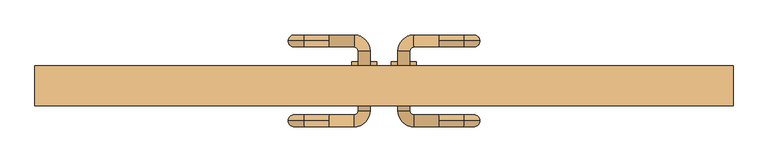
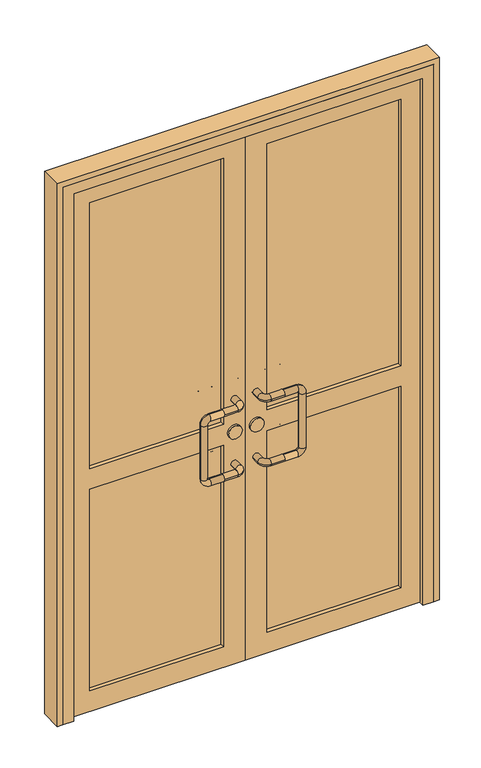
"""IFC4 building model written with IfcOpenShell, lengths in millimetres: door geometry."""

from ifc_helpers import new_model, si_unit, point, frame, frame_2d, origin, place, context, project, spatial, polyline, circle_curve, ellipse_curve, trimmed, segment, composite_curve, outline, extrude, faceted_brep, source, transform, mapped, element, save
from ifc_brep_helpers import cylinder_surface, revolved_surface, advanced_brep


def door_73c3f872(model_context):
    return source(origin(), model_context, "Body", "SolidModel", [
        advanced_brep(
        [(-110.0, 112.0, 1025.0), (-110.0, 100.0, 1037.0), (-110.0, 88.0, 1025.0), (-60.0, 88.0, 1025.0), (-60.0, 112.0, 1025.0), (-110.0, 100.0, 1013.0), (-52.0, 80.0, 1025.0), (-28.0, 80.0, 1025.0), (-52.0, -40.0, 1025.0), (-28.0, -40.0, 1025.0), (-60.0, -48.0, 1025.0), (-60.0, -72.0, 1025.0), (-110.0, -48.0, 1025.0), (-110.0, -60.0, 1037.0), (-110.0, -72.0, 1025.0), (-110.0, -60.0, 1013.0), (-160.0, 100.0, 1037.0), (-160.0, 100.0, 1013.0), (-192.0, 100.0, 1005.0), (-168.0, 100.0, 1005.0), (-192.0, 100.0, 795.0), (-168.0, 100.0, 795.0), (-160.0, 100.0, 763.0), (-160.0, 100.0, 787.0), (-110.0, 100.0, 763.0), (-110.0, 88.0, 775.0), (-110.0, 100.0, 787.0), (-110.0, 112.0, 775.0), (-60.0, 88.0, 775.0), (-60.0, 112.0, 775.0), (-52.0, 80.0, 775.0), (-28.0, 80.0, 775.0), (-52.0, -40.0, 775.0), (-28.0, -40.0, 775.0), (-60.0, -48.0, 775.0), (-60.0, -72.0, 775.0), (-110.0, -48.0, 775.0), (-110.0, -60.0, 787.0), (-110.0, -72.0, 775.0), (-110.0, -60.0, 763.0), (-160.0, -60.0, 1037.0), (-160.0, -60.0, 1013.0), (-192.0, -60.0, 1005.0), (-168.0, -60.0, 1005.0), (-192.0, -60.0, 795.0), (-168.0, -60.0, 795.0), (-160.0, -60.0, 763.0), (-160.0, -60.0, 787.0)],
        [
            (0, 1, circle_curve(frame((-110.0, 100.0, 1025.0), z_axis=(1.0, 0.0, 0.0), x_axis=(0.0, -1.0, 0.0)), 12.0)),
            (1, 2, circle_curve(frame((-110.0, 100.0, 1025.0), z_axis=(1.0, 0.0, 0.0), x_axis=(0.0, -1.0, 0.0)), 12.0)),
            (2, 3),
            (3, 4, circle_curve(frame((-60.0, 100.0, 1025.0), z_axis=(-1.0, 0.0, 0.0), x_axis=(0.0, -1.0, 0.0)), 12.0)),
            (4, 0),
            (4, 3, circle_curve(frame((-60.0, 100.0, 1025.0), z_axis=(-1.0, 0.0, 0.0), x_axis=(0.0, -1.0, 0.0)), 12.0)),
            (2, 5, circle_curve(frame((-110.0, 100.0, 1025.0), z_axis=(1.0, 0.0, 0.0), x_axis=(0.0, -1.0, 0.0)), 12.0)),
            (5, 0, circle_curve(frame((-110.0, 100.0, 1025.0), z_axis=(1.0, 0.0, 0.0), x_axis=(0.0, -1.0, 0.0)), 12.0)),
            (3, 6, circle_curve(frame((-60.0, 80.0, 1025.0), z_axis=(0.0, 0.0, -1.0), x_axis=(0.0, 1.0, 0.0)), 8.0)),
            (6, 7, circle_curve(frame((-40.0, 80.0, 1025.0), z_axis=(0.0, 1.0, 0.0), x_axis=(-1.0, 0.0, 0.0)), 12.0)),
            (7, 4, circle_curve(frame((-60.0, 80.0, 1025.0), z_axis=(0.0, 0.0, 1.0), x_axis=(0.0, 1.0, 0.0)), 32.0)),
            (7, 6, circle_curve(frame((-40.0, 80.0, 1025.0), z_axis=(0.0, 1.0, 0.0), x_axis=(-1.0, 0.0, 0.0)), 12.0)),
            (6, 8),
            (8, 9, circle_curve(frame((-40.0, -40.0, 1025.0), z_axis=(0.0, 1.0, 0.0), x_axis=(-1.0, 0.0, 0.0)), 12.0)),
            (9, 7),
            (9, 8, circle_curve(frame((-40.0, -40.0, 1025.0), z_axis=(0.0, 1.0, 0.0), x_axis=(-1.0, 0.0, 0.0)), 12.0)),
            (8, 10, circle_curve(frame((-60.0, -40.0, 1025.0), z_axis=(0.0, 0.0, -1.0), x_axis=(1.0, 0.0, 0.0)), 8.0)),
            (10, 11, circle_curve(frame((-60.0, -60.0, 1025.0), z_axis=(1.0, 0.0, 0.0), x_axis=(0.0, 1.0, 0.0)), 12.0)),
            (11, 9, circle_curve(frame((-60.0, -40.0, 1025.0), z_axis=(0.0, 0.0, 1.0), x_axis=(1.0, 0.0, 0.0)), 32.0)),
            (11, 10, circle_curve(frame((-60.0, -60.0, 1025.0), z_axis=(1.0, 0.0, 0.0), x_axis=(0.0, 1.0, 0.0)), 12.0)),
            (10, 12),
            (12, 13, circle_curve(frame((-110.0, -60.0, 1025.0), z_axis=(1.0, 0.0, 0.0), x_axis=(0.0, 1.0, 0.0)), 12.0)),
            (13, 14, circle_curve(frame((-110.0, -60.0, 1025.0), z_axis=(1.0, 0.0, 0.0), x_axis=(0.0, 1.0, 0.0)), 12.0)),
            (14, 11),
            (14, 15, circle_curve(frame((-110.0, -60.0, 1025.0), z_axis=(1.0, 0.0, 0.0), x_axis=(0.0, 1.0, 0.0)), 12.0)),
            (15, 12, circle_curve(frame((-110.0, -60.0, 1025.0), z_axis=(1.0, 0.0, 0.0), x_axis=(0.0, 1.0, 0.0)), 12.0)),
            (1, 16),
            (16, 17, circle_curve(frame((-160.0, 100.0, 1025.0), z_axis=(1.0, 0.0, 0.0), x_axis=(0.0, 0.0, 1.0)), 12.0)),
            (17, 5),
            (17, 16, circle_curve(frame((-160.0, 100.0, 1025.0), z_axis=(1.0, 0.0, 0.0), x_axis=(0.0, 0.0, 1.0)), 12.0)),
            (16, 18, circle_curve(frame((-160.0, 100.0, 1005.0), z_axis=(0.0, -1.0, 0.0), x_axis=(0.0, 0.0, 1.0)), 32.0)),
            (18, 19, circle_curve(frame((-180.0, 100.0, 1005.0), z_axis=(0.0, 0.0, 1.0), x_axis=(-1.0, 0.0, 0.0)), 12.0)),
            (19, 17, circle_curve(frame((-160.0, 100.0, 1005.0), z_axis=(0.0, 1.0, 0.0), x_axis=(0.0, 0.0, 1.0)), 8.0)),
            (19, 18, circle_curve(frame((-180.0, 100.0, 1005.0), z_axis=(0.0, 0.0, 1.0), x_axis=(-1.0, 0.0, 0.0)), 12.0)),
            (18, 20),
            (20, 21, circle_curve(frame((-180.0, 100.0, 795.0), z_axis=(0.0, 0.0, 1.0), x_axis=(-1.0, 0.0, 0.0)), 12.0)),
            (21, 19),
            (21, 20, circle_curve(frame((-180.0, 100.0, 795.0), z_axis=(0.0, 0.0, 1.0), x_axis=(-1.0, 0.0, 0.0)), 12.0)),
            (20, 22, circle_curve(frame((-160.0, 100.0, 795.0), z_axis=(0.0, -1.0, 0.0), x_axis=(-1.0, 0.0, 0.0)), 32.0)),
            (22, 23, circle_curve(frame((-160.0, 100.0, 775.0), z_axis=(-1.0, 0.0, 0.0), x_axis=(0.0, 0.0, -1.0)), 12.0)),
            (23, 21, circle_curve(frame((-160.0, 100.0, 795.0), z_axis=(0.0, 1.0, 0.0), x_axis=(-1.0, 0.0, 0.0)), 8.0)),
            (23, 22, circle_curve(frame((-160.0, 100.0, 775.0), z_axis=(-1.0, 0.0, 0.0), x_axis=(0.0, 0.0, -1.0)), 12.0)),
            (22, 24),
            (24, 25, circle_curve(frame((-110.0, 100.0, 775.0), z_axis=(-1.0, 0.0, 0.0), x_axis=(0.0, 0.0, -1.0)), 12.0)),
            (25, 26, circle_curve(frame((-110.0, 100.0, 775.0), z_axis=(-1.0, 0.0, 0.0), x_axis=(0.0, 0.0, -1.0)), 12.0)),
            (26, 23),
            (26, 27, circle_curve(frame((-110.0, 100.0, 775.0), z_axis=(-1.0, 0.0, 0.0), x_axis=(0.0, 0.0, -1.0)), 12.0)),
            (27, 24, circle_curve(frame((-110.0, 100.0, 775.0), z_axis=(-1.0, 0.0, 0.0), x_axis=(0.0, 0.0, -1.0)), 12.0)),
            (25, 28),
            (28, 29, circle_curve(frame((-60.0, 100.0, 775.0), z_axis=(-1.0, 0.0, 0.0), x_axis=(0.0, -1.0, 0.0)), 12.0)),
            (29, 27),
            (29, 28, circle_curve(frame((-60.0, 100.0, 775.0), z_axis=(-1.0, 0.0, 0.0), x_axis=(0.0, -1.0, 0.0)), 12.0)),
            (28, 30, circle_curve(frame((-60.0, 80.0, 775.0), z_axis=(0.0, 0.0, -1.0), x_axis=(0.0, 1.0, 0.0)), 8.0)),
            (30, 31, circle_curve(frame((-40.0, 80.0, 775.0), z_axis=(0.0, 1.0, 0.0), x_axis=(-1.0, 0.0, 0.0)), 12.0)),
            (31, 29, circle_curve(frame((-60.0, 80.0, 775.0), z_axis=(0.0, 0.0, 1.0), x_axis=(0.0, 1.0, 0.0)), 32.0)),
            (31, 30, circle_curve(frame((-40.0, 80.0, 775.0), z_axis=(0.0, 1.0, 0.0), x_axis=(-1.0, 0.0, 0.0)), 12.0)),
            (30, 32),
            (32, 33, circle_curve(frame((-40.0, -40.0, 775.0), z_axis=(0.0, 1.0, 0.0), x_axis=(-1.0, 0.0, 0.0)), 12.0)),
            (33, 31),
            (33, 32, circle_curve(frame((-40.0, -40.0, 775.0), z_axis=(0.0, 1.0, 0.0), x_axis=(-1.0, 0.0, 0.0)), 12.0)),
            (32, 34, circle_curve(frame((-60.0, -40.0, 775.0), z_axis=(0.0, 0.0, -1.0), x_axis=(1.0, 0.0, 0.0)), 8.0)),
            (34, 35, circle_curve(frame((-60.0, -60.0, 775.0), z_axis=(1.0, 0.0, 0.0), x_axis=(0.0, 1.0, 0.0)), 12.0)),
            (35, 33, circle_curve(frame((-60.0, -40.0, 775.0), z_axis=(0.0, 0.0, 1.0), x_axis=(1.0, 0.0, 0.0)), 32.0)),
            (35, 34, circle_curve(frame((-60.0, -60.0, 775.0), z_axis=(1.0, 0.0, 0.0), x_axis=(0.0, 1.0, 0.0)), 12.0)),
            (34, 36),
            (36, 37, circle_curve(frame((-110.0, -60.0, 775.0), z_axis=(1.0, 0.0, 0.0), x_axis=(0.0, 1.0, 0.0)), 12.0)),
            (37, 38, circle_curve(frame((-110.0, -60.0, 775.0), z_axis=(1.0, 0.0, 0.0), x_axis=(0.0, 1.0, 0.0)), 12.0)),
            (38, 35),
            (38, 39, circle_curve(frame((-110.0, -60.0, 775.0), z_axis=(1.0, 0.0, 0.0), x_axis=(0.0, 1.0, 0.0)), 12.0)),
            (39, 36, circle_curve(frame((-110.0, -60.0, 775.0), z_axis=(1.0, 0.0, 0.0), x_axis=(0.0, 1.0, 0.0)), 12.0)),
            (13, 40),
            (40, 41, circle_curve(frame((-160.0, -60.0, 1025.0), z_axis=(1.0, 0.0, 0.0), x_axis=(0.0, 0.0, 1.0)), 12.0)),
            (41, 15),
            (41, 40, circle_curve(frame((-160.0, -60.0, 1025.0), z_axis=(1.0, 0.0, 0.0), x_axis=(0.0, 0.0, 1.0)), 12.0)),
            (40, 42, circle_curve(frame((-160.0, -60.0, 1005.0), z_axis=(0.0, -1.0, 0.0), x_axis=(0.0, 0.0, 1.0)), 32.0)),
            (42, 43, circle_curve(frame((-180.0, -60.0, 1005.0), z_axis=(0.0, 0.0, 1.0), x_axis=(-1.0, 0.0, 0.0)), 12.0)),
            (43, 41, circle_curve(frame((-160.0, -60.0, 1005.0), z_axis=(0.0, 1.0, 0.0), x_axis=(0.0, 0.0, 1.0)), 8.0)),
            (43, 42, circle_curve(frame((-180.0, -60.0, 1005.0), z_axis=(0.0, 0.0, 1.0), x_axis=(-1.0, 0.0, 0.0)), 12.0)),
            (42, 44),
            (44, 45, circle_curve(frame((-180.0, -60.0, 795.0), z_axis=(0.0, 0.0, 1.0), x_axis=(-1.0, 0.0, 0.0)), 12.0)),
            (45, 43),
            (45, 44, circle_curve(frame((-180.0, -60.0, 795.0), z_axis=(0.0, 0.0, 1.0), x_axis=(-1.0, 0.0, 0.0)), 12.0)),
            (44, 46, circle_curve(frame((-160.0, -60.0, 795.0), z_axis=(0.0, -1.0, 0.0), x_axis=(-1.0, 0.0, 0.0)), 32.0)),
            (46, 47, circle_curve(frame((-160.0, -60.0, 775.0), z_axis=(-1.0, 0.0, 0.0), x_axis=(0.0, 0.0, -1.0)), 12.0)),
            (47, 45, circle_curve(frame((-160.0, -60.0, 795.0), z_axis=(0.0, 1.0, 0.0), x_axis=(-1.0, 0.0, 0.0)), 8.0)),
            (47, 46, circle_curve(frame((-160.0, -60.0, 775.0), z_axis=(-1.0, 0.0, 0.0), x_axis=(0.0, 0.0, -1.0)), 12.0)),
            (46, 39),
            (37, 47),
        ],
        [
            cylinder_surface(frame((-110.0, 100.0, 1025.0), z_axis=(-1.0, 0.0, 0.0), x_axis=(0.0, -1.0, 0.0)), 12.0),
            revolved_surface(trimmed(ellipse_curve(frame((-60.0, 100.0, 1025.0), z_axis=(1.0, 0.0, 0.0), x_axis=(0.0, -1.0, 0.0)), 12.0, 12.0), [point((-60.0, 112.0, 1025.0))], [point((-60.0, 88.0, 1025.0))], True, "CARTESIAN"), (-60.0, 80.0, 1025.0), (0.0, 0.0, 1.0)),
            revolved_surface(trimmed(ellipse_curve(frame((-60.0, 100.0, 1025.0), z_axis=(1.0, 0.0, 0.0), x_axis=(0.0, -1.0, 0.0)), 12.0, 12.0), [point((-60.0, 88.0, 1025.0))], [point((-60.0, 112.0, 1025.0))], True, "CARTESIAN"), (-60.0, 80.0, 1025.0), (0.0, 0.0, 1.0)),
            cylinder_surface(frame((-40.0, 80.0, 1025.0), z_axis=(0.0, 1.0, 0.0), x_axis=(-1.0, 0.0, 0.0)), 12.0),
            revolved_surface(trimmed(ellipse_curve(frame((-40.0, -40.0, 1025.0), z_axis=(0.0, -1.0, 0.0), x_axis=(-1.0, 0.0, 0.0)), 12.0, 12.0), [point((-28.0, -40.0, 1025.0))], [point((-52.0, -40.0, 1025.0))], True, "CARTESIAN"), (-60.0, -40.0, 1025.0), (0.0, 0.0, 1.0)),
            revolved_surface(trimmed(ellipse_curve(frame((-40.0, -40.0, 1025.0), z_axis=(0.0, -1.0, 0.0), x_axis=(-1.0, 0.0, 0.0)), 12.0, 12.0), [point((-52.0, -40.0, 1025.0))], [point((-28.0, -40.0, 1025.0))], True, "CARTESIAN"), (-60.0, -40.0, 1025.0), (0.0, 0.0, 1.0)),
            cylinder_surface(frame((-60.0, -60.0, 1025.0), z_axis=(1.0, 0.0, 0.0), x_axis=(0.0, 1.0, 0.0)), 12.0),
            cylinder_surface(frame((-110.0, 100.0, 1025.0), z_axis=(1.0, 0.0, 0.0), x_axis=(0.0, 0.0, 1.0)), 12.0),
            revolved_surface(trimmed(ellipse_curve(frame((-160.0, 100.0, 1025.0), z_axis=(-1.0, 0.0, 0.0), x_axis=(0.0, 0.0, 1.0)), 12.0, 12.0), [point((-160.0, 100.0, 1013.0))], [point((-160.0, 100.0, 1037.0))], True, "CARTESIAN"), (-160.0, 100.0, 1005.0), (0.0, 1.0, 0.0)),
            revolved_surface(trimmed(ellipse_curve(frame((-160.0, 100.0, 1025.0), z_axis=(-1.0, 0.0, 0.0), x_axis=(0.0, 0.0, 1.0)), 12.0, 12.0), [point((-160.0, 100.0, 1037.0))], [point((-160.0, 100.0, 1013.0))], True, "CARTESIAN"), (-160.0, 100.0, 1005.0), (0.0, 1.0, 0.0)),
            cylinder_surface(frame((-180.0, 100.0, 1005.0), z_axis=(0.0, 0.0, 1.0), x_axis=(-1.0, 0.0, 0.0)), 12.0),
            revolved_surface(trimmed(ellipse_curve(frame((-180.0, 100.0, 795.0), z_axis=(0.0, 0.0, -1.0), x_axis=(-1.0, 0.0, 0.0)), 12.0, 12.0), [point((-168.0, 100.0, 795.0))], [point((-192.0, 100.0, 795.0))], True, "CARTESIAN"), (-160.0, 100.0, 795.0), (0.0, 1.0, 0.0)),
            revolved_surface(trimmed(ellipse_curve(frame((-180.0, 100.0, 795.0), z_axis=(0.0, 0.0, -1.0), x_axis=(-1.0, 0.0, 0.0)), 12.0, 12.0), [point((-192.0, 100.0, 795.0))], [point((-168.0, 100.0, 795.0))], True, "CARTESIAN"), (-160.0, 100.0, 795.0), (0.0, 1.0, 0.0)),
            cylinder_surface(frame((-160.0, 100.0, 775.0), z_axis=(-1.0, 0.0, 0.0), x_axis=(0.0, 0.0, -1.0)), 12.0),
            cylinder_surface(frame((-110.0, 100.0, 775.0), z_axis=(-1.0, 0.0, 0.0), x_axis=(0.0, -1.0, 0.0)), 12.0),
            revolved_surface(trimmed(ellipse_curve(frame((-60.0, 100.0, 775.0), z_axis=(1.0, 0.0, 0.0), x_axis=(0.0, -1.0, 0.0)), 12.0, 12.0), [point((-60.0, 112.0, 775.0))], [point((-60.0, 88.0, 775.0))], True, "CARTESIAN"), (-60.0, 80.0, 775.0), (0.0, 0.0, 1.0)),
            revolved_surface(trimmed(ellipse_curve(frame((-60.0, 100.0, 775.0), z_axis=(1.0, 0.0, 0.0), x_axis=(0.0, -1.0, 0.0)), 12.0, 12.0), [point((-60.0, 88.0, 775.0))], [point((-60.0, 112.0, 775.0))], True, "CARTESIAN"), (-60.0, 80.0, 775.0), (0.0, 0.0, 1.0)),
            cylinder_surface(frame((-40.0, 80.0, 775.0), z_axis=(0.0, 1.0, 0.0), x_axis=(-1.0, 0.0, 0.0)), 12.0),
            revolved_surface(trimmed(ellipse_curve(frame((-40.0, -40.0, 775.0), z_axis=(0.0, -1.0, 0.0), x_axis=(-1.0, 0.0, 0.0)), 12.0, 12.0), [point((-28.0, -40.0, 775.0))], [point((-52.0, -40.0, 775.0))], True, "CARTESIAN"), (-60.0, -40.0, 775.0), (0.0, 0.0, 1.0)),
            revolved_surface(trimmed(ellipse_curve(frame((-40.0, -40.0, 775.0), z_axis=(0.0, -1.0, 0.0), x_axis=(-1.0, 0.0, 0.0)), 12.0, 12.0), [point((-52.0, -40.0, 775.0))], [point((-28.0, -40.0, 775.0))], True, "CARTESIAN"), (-60.0, -40.0, 775.0), (0.0, 0.0, 1.0)),
            cylinder_surface(frame((-60.0, -60.0, 775.0), z_axis=(1.0, 0.0, 0.0), x_axis=(0.0, 1.0, 0.0)), 12.0),
            cylinder_surface(frame((-110.0, -60.0, 1025.0), z_axis=(1.0, 0.0, 0.0), x_axis=(0.0, 0.0, 1.0)), 12.0),
            revolved_surface(trimmed(ellipse_curve(frame((-160.0, -60.0, 1025.0), z_axis=(-1.0, 0.0, 0.0), x_axis=(0.0, 0.0, 1.0)), 12.0, 12.0), [point((-160.0, -60.0, 1013.0))], [point((-160.0, -60.0, 1037.0))], True, "CARTESIAN"), (-160.0, -60.0, 1005.0), (0.0, 1.0, 0.0)),
            revolved_surface(trimmed(ellipse_curve(frame((-160.0, -60.0, 1025.0), z_axis=(-1.0, 0.0, 0.0), x_axis=(0.0, 0.0, 1.0)), 12.0, 12.0), [point((-160.0, -60.0, 1037.0))], [point((-160.0, -60.0, 1013.0))], True, "CARTESIAN"), (-160.0, -60.0, 1005.0), (0.0, 1.0, 0.0)),
            cylinder_surface(frame((-180.0, -60.0, 1005.0), z_axis=(0.0, 0.0, 1.0), x_axis=(-1.0, 0.0, 0.0)), 12.0),
            revolved_surface(trimmed(ellipse_curve(frame((-180.0, -60.0, 795.0), z_axis=(0.0, 0.0, -1.0), x_axis=(-1.0, 0.0, 0.0)), 12.0, 12.0), [point((-168.0, -60.0, 795.0))], [point((-192.0, -60.0, 795.0))], True, "CARTESIAN"), (-160.0, -60.0, 795.0), (0.0, 1.0, 0.0)),
            revolved_surface(trimmed(ellipse_curve(frame((-180.0, -60.0, 795.0), z_axis=(0.0, 0.0, -1.0), x_axis=(-1.0, 0.0, 0.0)), 12.0, 12.0), [point((-192.0, -60.0, 795.0))], [point((-168.0, -60.0, 795.0))], True, "CARTESIAN"), (-160.0, -60.0, 795.0), (0.0, 1.0, 0.0)),
            cylinder_surface(frame((-160.0, -60.0, 775.0), z_axis=(-1.0, 0.0, 0.0), x_axis=(0.0, 0.0, -1.0)), 12.0),
        ],
        [
            (0, [[1, 2, 3, 4, 5]]),
            (0, [[6, -3, 7, 8, -5]]),
            (1, [[9, 10, 11, -4]]),
            (2, [[-11, 12, -9, -6]]),
            (3, [[13, 14, 15, -10]]),
            (3, [[-15, 16, -13, -12]]),
            (4, [[17, 18, 19, -14]]),
            (5, [[-19, 20, -17, -16]]),
            (6, [[21, 22, 23, 24, -18]]),
            (6, [[-24, 25, 26, -21, -20]]),
            (7, [[-7, -2, 27, 28, 29]]),
            (7, [[30, -27, -1, -8, -29]]),
            (8, [[31, 32, 33, -28]]),
            (9, [[-33, 34, -31, -30]]),
            (10, [[35, 36, 37, -32]]),
            (10, [[-37, 38, -35, -34]]),
            (11, [[39, 40, 41, -36]]),
            (12, [[-41, 42, -39, -38]]),
            (13, [[43, 44, 45, 46, -40]]),
            (13, [[-46, 47, 48, -43, -42]]),
            (14, [[-47, -45, 49, 50, 51]]),
            (14, [[52, -49, -44, -48, -51]]),
            (15, [[53, 54, 55, -50]]),
            (16, [[-55, 56, -53, -52]]),
            (17, [[57, 58, 59, -54]]),
            (17, [[-59, 60, -57, -56]]),
            (18, [[61, 62, 63, -58]]),
            (19, [[-63, 64, -61, -60]]),
            (20, [[65, 66, 67, 68, -62]]),
            (20, [[-68, 69, 70, -65, -64]]),
            (21, [[-25, -23, 71, 72, 73]]),
            (21, [[74, -71, -22, -26, -73]]),
            (22, [[75, 76, 77, -72]]),
            (23, [[-77, 78, -75, -74]]),
            (24, [[79, 80, 81, -76]]),
            (24, [[-81, 82, -79, -78]]),
            (25, [[83, 84, 85, -80]]),
            (26, [[-85, 86, -83, -82]]),
            (27, [[87, -69, -67, 88, -84]]),
            (27, [[-88, -66, -70, -87, -86]]),
        ],
    ),
        extrude(outline(composite_curve([segment(trimmed(circle_curve(frame_2d((900.0, -40.0)), 25.0), [point((900.0, -15.0))], [point((900.0, -65.0))], False, "CARTESIAN"), True, "CONTINUOUS"), segment(trimmed(circle_curve(frame_2d((900.0, -40.0)), 25.0), [point((900.0, -65.0))], [point((900.0, -15.0))], False, "CARTESIAN"), True, "CONTINUOUS")], self_intersect=False)), frame((0.0, -18.0, 0.0), z_axis=(0.0, 1.0, 0.0), x_axis=(0.0, 0.0, 1.0)), (0.0, 0.0, 1.0), 76.0),
        advanced_brep(
        [(110.0, 112.0, 1025.0), (60.0, 112.0, 1025.0), (60.0, 88.0, 1025.0), (110.0, 88.0, 1025.0), (110.0, 100.0, 1037.0), (110.0, 100.0, 1013.0), (28.0, 80.0, 1025.0), (52.0, 80.0, 1025.0), (28.0, -40.0, 1025.0), (52.0, -40.0, 1025.0), (60.0, -72.0, 1025.0), (60.0, -48.0, 1025.0), (110.0, -72.0, 1025.0), (110.0, -60.0, 1037.0), (110.0, -48.0, 1025.0), (110.0, -60.0, 1013.0), (160.0, 100.0, 1013.0), (160.0, 100.0, 1037.0), (168.0, 100.0, 1005.0), (192.0, 100.0, 1005.0), (168.0, 100.0, 795.0), (192.0, 100.0, 795.0), (160.0, 100.0, 787.0), (160.0, 100.0, 763.0), (110.0, 100.0, 787.0), (110.0, 88.0, 775.0), (110.0, 100.0, 763.0), (110.0, 112.0, 775.0), (60.0, 112.0, 775.0), (60.0, 88.0, 775.0), (28.0, 80.0, 775.0), (52.0, 80.0, 775.0), (28.0, -40.0, 775.0), (52.0, -40.0, 775.0), (60.0, -72.0, 775.0), (60.0, -48.0, 775.0), (110.0, -72.0, 775.0), (110.0, -60.0, 787.0), (110.0, -48.0, 775.0), (110.0, -60.0, 763.0), (160.0, -60.0, 1013.0), (160.0, -60.0, 1037.0), (168.0, -60.0, 1005.0), (192.0, -60.0, 1005.0), (168.0, -60.0, 795.0), (192.0, -60.0, 795.0), (160.0, -60.0, 787.0), (160.0, -60.0, 763.0)],
        [
            (0, 1),
            (1, 2, circle_curve(frame((60.0, 100.0, 1025.0), z_axis=(1.0, 0.0, 0.0), x_axis=(0.0, -1.0, 0.0)), 12.0)),
            (2, 3),
            (3, 4, circle_curve(frame((110.0, 100.0, 1025.0), z_axis=(-1.0, 0.0, 0.0), x_axis=(0.0, -1.0, 0.0)), 12.0)),
            (4, 0, circle_curve(frame((110.0, 100.0, 1025.0), z_axis=(-1.0, 0.0, 0.0), x_axis=(0.0, -1.0, 0.0)), 12.0)),
            (0, 5, circle_curve(frame((110.0, 100.0, 1025.0), z_axis=(-1.0, 0.0, 0.0), x_axis=(0.0, -1.0, 0.0)), 12.0)),
            (5, 3, circle_curve(frame((110.0, 100.0, 1025.0), z_axis=(-1.0, 0.0, 0.0), x_axis=(0.0, -1.0, 0.0)), 12.0)),
            (2, 1, circle_curve(frame((60.0, 100.0, 1025.0), z_axis=(1.0, 0.0, 0.0), x_axis=(0.0, -1.0, 0.0)), 12.0)),
            (1, 6, circle_curve(frame((60.0, 80.0, 1025.0), z_axis=(0.0, 0.0, 1.0), x_axis=(0.0, 1.0, 0.0)), 32.0)),
            (6, 7, circle_curve(frame((40.0, 80.0, 1025.0), z_axis=(0.0, 1.0, 0.0), x_axis=(1.0, 0.0, 0.0)), 12.0)),
            (7, 2, circle_curve(frame((60.0, 80.0, 1025.0), z_axis=(0.0, 0.0, -1.0), x_axis=(0.0, 1.0, 0.0)), 8.0)),
            (7, 6, circle_curve(frame((40.0, 80.0, 1025.0), z_axis=(0.0, 1.0, 0.0), x_axis=(1.0, 0.0, 0.0)), 12.0)),
            (6, 8),
            (8, 9, circle_curve(frame((40.0, -40.0, 1025.0), z_axis=(0.0, 1.0, 0.0), x_axis=(1.0, 0.0, 0.0)), 12.0)),
            (9, 7),
            (9, 8, circle_curve(frame((40.0, -40.0, 1025.0), z_axis=(0.0, 1.0, 0.0), x_axis=(1.0, 0.0, 0.0)), 12.0)),
            (8, 10, circle_curve(frame((60.0, -40.0, 1025.0), z_axis=(0.0, 0.0, 1.0), x_axis=(-1.0, 0.0, 0.0)), 32.0)),
            (10, 11, circle_curve(frame((60.0, -60.0, 1025.0), z_axis=(-1.0, 0.0, 0.0), x_axis=(0.0, 1.0, 0.0)), 12.0)),
            (11, 9, circle_curve(frame((60.0, -40.0, 1025.0), z_axis=(0.0, 0.0, -1.0), x_axis=(-1.0, 0.0, 0.0)), 8.0)),
            (11, 10, circle_curve(frame((60.0, -60.0, 1025.0), z_axis=(-1.0, 0.0, 0.0), x_axis=(0.0, 1.0, 0.0)), 12.0)),
            (10, 12),
            (12, 13, circle_curve(frame((110.0, -60.0, 1025.0), z_axis=(-1.0, 0.0, 0.0), x_axis=(0.0, 1.0, 0.0)), 12.0)),
            (13, 14, circle_curve(frame((110.0, -60.0, 1025.0), z_axis=(-1.0, 0.0, 0.0), x_axis=(0.0, 1.0, 0.0)), 12.0)),
            (14, 11),
            (14, 15, circle_curve(frame((110.0, -60.0, 1025.0), z_axis=(-1.0, 0.0, 0.0), x_axis=(0.0, 1.0, 0.0)), 12.0)),
            (15, 12, circle_curve(frame((110.0, -60.0, 1025.0), z_axis=(-1.0, 0.0, 0.0), x_axis=(0.0, 1.0, 0.0)), 12.0)),
            (5, 16),
            (16, 17, circle_curve(frame((160.0, 100.0, 1025.0), z_axis=(-1.0, 0.0, 0.0), x_axis=(0.0, 0.0, 1.0)), 12.0)),
            (17, 4),
            (17, 16, circle_curve(frame((160.0, 100.0, 1025.0), z_axis=(-1.0, 0.0, 0.0), x_axis=(0.0, 0.0, 1.0)), 12.0)),
            (16, 18, circle_curve(frame((160.0, 100.0, 1005.0), z_axis=(0.0, 1.0, 0.0), x_axis=(0.0, 0.0, 1.0)), 8.0)),
            (18, 19, circle_curve(frame((180.0, 100.0, 1005.0), z_axis=(0.0, 0.0, 1.0), x_axis=(1.0, 0.0, 0.0)), 12.0)),
            (19, 17, circle_curve(frame((160.0, 100.0, 1005.0), z_axis=(0.0, -1.0, 0.0), x_axis=(0.0, 0.0, 1.0)), 32.0)),
            (19, 18, circle_curve(frame((180.0, 100.0, 1005.0), z_axis=(0.0, 0.0, 1.0), x_axis=(1.0, 0.0, 0.0)), 12.0)),
            (18, 20),
            (20, 21, circle_curve(frame((180.0, 100.0, 795.0), z_axis=(0.0, 0.0, 1.0), x_axis=(1.0, 0.0, 0.0)), 12.0)),
            (21, 19),
            (21, 20, circle_curve(frame((180.0, 100.0, 795.0), z_axis=(0.0, 0.0, 1.0), x_axis=(1.0, 0.0, 0.0)), 12.0)),
            (20, 22, circle_curve(frame((160.0, 100.0, 795.0), z_axis=(0.0, 1.0, 0.0), x_axis=(1.0, 0.0, 0.0)), 8.0)),
            (22, 23, circle_curve(frame((160.0, 100.0, 775.0), z_axis=(1.0, 0.0, 0.0), x_axis=(0.0, 0.0, -1.0)), 12.0)),
            (23, 21, circle_curve(frame((160.0, 100.0, 795.0), z_axis=(0.0, -1.0, 0.0), x_axis=(1.0, 0.0, 0.0)), 32.0)),
            (23, 22, circle_curve(frame((160.0, 100.0, 775.0), z_axis=(1.0, 0.0, 0.0), x_axis=(0.0, 0.0, -1.0)), 12.0)),
            (22, 24),
            (24, 25, circle_curve(frame((110.0, 100.0, 775.0), z_axis=(1.0, 0.0, 0.0), x_axis=(0.0, 0.0, -1.0)), 12.0)),
            (25, 26, circle_curve(frame((110.0, 100.0, 775.0), z_axis=(1.0, 0.0, 0.0), x_axis=(0.0, 0.0, -1.0)), 12.0)),
            (26, 23),
            (26, 27, circle_curve(frame((110.0, 100.0, 775.0), z_axis=(1.0, 0.0, 0.0), x_axis=(0.0, 0.0, -1.0)), 12.0)),
            (27, 24, circle_curve(frame((110.0, 100.0, 775.0), z_axis=(1.0, 0.0, 0.0), x_axis=(0.0, 0.0, -1.0)), 12.0)),
            (27, 28),
            (28, 29, circle_curve(frame((60.0, 100.0, 775.0), z_axis=(1.0, 0.0, 0.0), x_axis=(0.0, -1.0, 0.0)), 12.0)),
            (29, 25),
            (29, 28, circle_curve(frame((60.0, 100.0, 775.0), z_axis=(1.0, 0.0, 0.0), x_axis=(0.0, -1.0, 0.0)), 12.0)),
            (28, 30, circle_curve(frame((60.0, 80.0, 775.0), z_axis=(0.0, 0.0, 1.0), x_axis=(0.0, 1.0, 0.0)), 32.0)),
            (30, 31, circle_curve(frame((40.0, 80.0, 775.0), z_axis=(0.0, 1.0, 0.0), x_axis=(1.0, 0.0, 0.0)), 12.0)),
            (31, 29, circle_curve(frame((60.0, 80.0, 775.0), z_axis=(0.0, 0.0, -1.0), x_axis=(0.0, 1.0, 0.0)), 8.0)),
            (31, 30, circle_curve(frame((40.0, 80.0, 775.0), z_axis=(0.0, 1.0, 0.0), x_axis=(1.0, 0.0, 0.0)), 12.0)),
            (30, 32),
            (32, 33, circle_curve(frame((40.0, -40.0, 775.0), z_axis=(0.0, 1.0, 0.0), x_axis=(1.0, 0.0, 0.0)), 12.0)),
            (33, 31),
            (33, 32, circle_curve(frame((40.0, -40.0, 775.0), z_axis=(0.0, 1.0, 0.0), x_axis=(1.0, 0.0, 0.0)), 12.0)),
            (32, 34, circle_curve(frame((60.0, -40.0, 775.0), z_axis=(0.0, 0.0, 1.0), x_axis=(-1.0, 0.0, 0.0)), 32.0)),
            (34, 35, circle_curve(frame((60.0, -60.0, 775.0), z_axis=(-1.0, 0.0, 0.0), x_axis=(0.0, 1.0, 0.0)), 12.0)),
            (35, 33, circle_curve(frame((60.0, -40.0, 775.0), z_axis=(0.0, 0.0, -1.0), x_axis=(-1.0, 0.0, 0.0)), 8.0)),
            (35, 34, circle_curve(frame((60.0, -60.0, 775.0), z_axis=(-1.0, 0.0, 0.0), x_axis=(0.0, 1.0, 0.0)), 12.0)),
            (34, 36),
            (36, 37, circle_curve(frame((110.0, -60.0, 775.0), z_axis=(-1.0, 0.0, 0.0), x_axis=(0.0, 1.0, 0.0)), 12.0)),
            (37, 38, circle_curve(frame((110.0, -60.0, 775.0), z_axis=(-1.0, 0.0, 0.0), x_axis=(0.0, 1.0, 0.0)), 12.0)),
            (38, 35),
            (38, 39, circle_curve(frame((110.0, -60.0, 775.0), z_axis=(-1.0, 0.0, 0.0), x_axis=(0.0, 1.0, 0.0)), 12.0)),
            (39, 36, circle_curve(frame((110.0, -60.0, 775.0), z_axis=(-1.0, 0.0, 0.0), x_axis=(0.0, 1.0, 0.0)), 12.0)),
            (15, 40),
            (40, 41, circle_curve(frame((160.0, -60.0, 1025.0), z_axis=(-1.0, 0.0, 0.0), x_axis=(0.0, 0.0, 1.0)), 12.0)),
            (41, 13),
            (41, 40, circle_curve(frame((160.0, -60.0, 1025.0), z_axis=(-1.0, 0.0, 0.0), x_axis=(0.0, 0.0, 1.0)), 12.0)),
            (40, 42, circle_curve(frame((160.0, -60.0, 1005.0), z_axis=(0.0, 1.0, 0.0), x_axis=(0.0, 0.0, 1.0)), 8.0)),
            (42, 43, circle_curve(frame((180.0, -60.0, 1005.0), z_axis=(0.0, 0.0, 1.0), x_axis=(1.0, 0.0, 0.0)), 12.0)),
            (43, 41, circle_curve(frame((160.0, -60.0, 1005.0), z_axis=(0.0, -1.0, 0.0), x_axis=(0.0, 0.0, 1.0)), 32.0)),
            (43, 42, circle_curve(frame((180.0, -60.0, 1005.0), z_axis=(0.0, 0.0, 1.0), x_axis=(1.0, 0.0, 0.0)), 12.0)),
            (42, 44),
            (44, 45, circle_curve(frame((180.0, -60.0, 795.0), z_axis=(0.0, 0.0, 1.0), x_axis=(1.0, 0.0, 0.0)), 12.0)),
            (45, 43),
            (45, 44, circle_curve(frame((180.0, -60.0, 795.0), z_axis=(0.0, 0.0, 1.0), x_axis=(1.0, 0.0, 0.0)), 12.0)),
            (44, 46, circle_curve(frame((160.0, -60.0, 795.0), z_axis=(0.0, 1.0, 0.0), x_axis=(1.0, 0.0, 0.0)), 8.0)),
            (46, 47, circle_curve(frame((160.0, -60.0, 775.0), z_axis=(1.0, 0.0, 0.0), x_axis=(0.0, 0.0, -1.0)), 12.0)),
            (47, 45, circle_curve(frame((160.0, -60.0, 795.0), z_axis=(0.0, -1.0, 0.0), x_axis=(1.0, 0.0, 0.0)), 32.0)),
            (47, 46, circle_curve(frame((160.0, -60.0, 775.0), z_axis=(1.0, 0.0, 0.0), x_axis=(0.0, 0.0, -1.0)), 12.0)),
            (46, 37),
            (39, 47),
        ],
        [
            cylinder_surface(frame((110.0, 100.0, 1025.0), z_axis=(1.0, 0.0, 0.0), x_axis=(0.0, -1.0, 0.0)), 12.0),
            revolved_surface(trimmed(ellipse_curve(frame((60.0, 100.0, 1025.0), z_axis=(1.0, 0.0, 0.0), x_axis=(0.0, -1.0, 0.0)), 12.0, 12.0), [point((60.0, 112.0, 1025.0))], [point((60.0, 88.0, 1025.0))], True, "CARTESIAN"), (60.0, 80.0, 1025.0), (0.0, 0.0, 1.0)),
            revolved_surface(trimmed(ellipse_curve(frame((60.0, 100.0, 1025.0), z_axis=(1.0, 0.0, 0.0), x_axis=(0.0, -1.0, 0.0)), 12.0, 12.0), [point((60.0, 88.0, 1025.0))], [point((60.0, 112.0, 1025.0))], True, "CARTESIAN"), (60.0, 80.0, 1025.0), (0.0, 0.0, 1.0)),
            cylinder_surface(frame((40.0, 80.0, 1025.0), z_axis=(0.0, 1.0, 0.0), x_axis=(1.0, 0.0, 0.0)), 12.0),
            revolved_surface(trimmed(ellipse_curve(frame((40.0, -40.0, 1025.0), z_axis=(0.0, 1.0, 0.0), x_axis=(1.0, 0.0, 0.0)), 12.0, 12.0), [point((28.0, -40.0, 1025.0))], [point((52.0, -40.0, 1025.0))], True, "CARTESIAN"), (60.0, -40.0, 1025.0), (0.0, 0.0, 1.0)),
            revolved_surface(trimmed(ellipse_curve(frame((40.0, -40.0, 1025.0), z_axis=(0.0, 1.0, 0.0), x_axis=(1.0, 0.0, 0.0)), 12.0, 12.0), [point((52.0, -40.0, 1025.0))], [point((28.0, -40.0, 1025.0))], True, "CARTESIAN"), (60.0, -40.0, 1025.0), (0.0, 0.0, 1.0)),
            cylinder_surface(frame((60.0, -60.0, 1025.0), z_axis=(-1.0, 0.0, 0.0), x_axis=(0.0, 1.0, 0.0)), 12.0),
            cylinder_surface(frame((110.0, 100.0, 1025.0), z_axis=(-1.0, 0.0, 0.0), x_axis=(0.0, 0.0, 1.0)), 12.0),
            revolved_surface(trimmed(ellipse_curve(frame((160.0, 100.0, 1025.0), z_axis=(-1.0, 0.0, 0.0), x_axis=(0.0, 0.0, 1.0)), 12.0, 12.0), [point((160.0, 100.0, 1013.0))], [point((160.0, 100.0, 1037.0))], True, "CARTESIAN"), (160.0, 100.0, 1005.0), (0.0, 1.0, 0.0)),
            revolved_surface(trimmed(ellipse_curve(frame((160.0, 100.0, 1025.0), z_axis=(-1.0, 0.0, 0.0), x_axis=(0.0, 0.0, 1.0)), 12.0, 12.0), [point((160.0, 100.0, 1037.0))], [point((160.0, 100.0, 1013.0))], True, "CARTESIAN"), (160.0, 100.0, 1005.0), (0.0, 1.0, 0.0)),
            cylinder_surface(frame((180.0, 100.0, 1005.0), z_axis=(0.0, 0.0, 1.0), x_axis=(1.0, 0.0, 0.0)), 12.0),
            revolved_surface(trimmed(ellipse_curve(frame((180.0, 100.0, 795.0), z_axis=(0.0, 0.0, 1.0), x_axis=(1.0, 0.0, 0.0)), 12.0, 12.0), [point((168.0, 100.0, 795.0))], [point((192.0, 100.0, 795.0))], True, "CARTESIAN"), (160.0, 100.0, 795.0), (0.0, 1.0, 0.0)),
            revolved_surface(trimmed(ellipse_curve(frame((180.0, 100.0, 795.0), z_axis=(0.0, 0.0, 1.0), x_axis=(1.0, 0.0, 0.0)), 12.0, 12.0), [point((192.0, 100.0, 795.0))], [point((168.0, 100.0, 795.0))], True, "CARTESIAN"), (160.0, 100.0, 795.0), (0.0, 1.0, 0.0)),
            cylinder_surface(frame((160.0, 100.0, 775.0), z_axis=(1.0, 0.0, 0.0), x_axis=(0.0, 0.0, -1.0)), 12.0),
            cylinder_surface(frame((110.0, 100.0, 775.0), z_axis=(1.0, 0.0, 0.0), x_axis=(0.0, -1.0, 0.0)), 12.0),
            revolved_surface(trimmed(ellipse_curve(frame((60.0, 100.0, 775.0), z_axis=(1.0, 0.0, 0.0), x_axis=(0.0, -1.0, 0.0)), 12.0, 12.0), [point((60.0, 112.0, 775.0))], [point((60.0, 88.0, 775.0))], True, "CARTESIAN"), (60.0, 80.0, 775.0), (0.0, 0.0, 1.0)),
            revolved_surface(trimmed(ellipse_curve(frame((60.0, 100.0, 775.0), z_axis=(1.0, 0.0, 0.0), x_axis=(0.0, -1.0, 0.0)), 12.0, 12.0), [point((60.0, 88.0, 775.0))], [point((60.0, 112.0, 775.0))], True, "CARTESIAN"), (60.0, 80.0, 775.0), (0.0, 0.0, 1.0)),
            cylinder_surface(frame((40.0, 80.0, 775.0), z_axis=(0.0, 1.0, 0.0), x_axis=(1.0, 0.0, 0.0)), 12.0),
            revolved_surface(trimmed(ellipse_curve(frame((40.0, -40.0, 775.0), z_axis=(0.0, 1.0, 0.0), x_axis=(1.0, 0.0, 0.0)), 12.0, 12.0), [point((28.0, -40.0, 775.0))], [point((52.0, -40.0, 775.0))], True, "CARTESIAN"), (60.0, -40.0, 775.0), (0.0, 0.0, 1.0)),
            revolved_surface(trimmed(ellipse_curve(frame((40.0, -40.0, 775.0), z_axis=(0.0, 1.0, 0.0), x_axis=(1.0, 0.0, 0.0)), 12.0, 12.0), [point((52.0, -40.0, 775.0))], [point((28.0, -40.0, 775.0))], True, "CARTESIAN"), (60.0, -40.0, 775.0), (0.0, 0.0, 1.0)),
            cylinder_surface(frame((60.0, -60.0, 775.0), z_axis=(-1.0, 0.0, 0.0), x_axis=(0.0, 1.0, 0.0)), 12.0),
            cylinder_surface(frame((110.0, -60.0, 1025.0), z_axis=(-1.0, 0.0, 0.0), x_axis=(0.0, 0.0, 1.0)), 12.0),
            revolved_surface(trimmed(ellipse_curve(frame((160.0, -60.0, 1025.0), z_axis=(-1.0, 0.0, 0.0), x_axis=(0.0, 0.0, 1.0)), 12.0, 12.0), [point((160.0, -60.0, 1013.0))], [point((160.0, -60.0, 1037.0))], True, "CARTESIAN"), (160.0, -60.0, 1005.0), (0.0, 1.0, 0.0)),
            revolved_surface(trimmed(ellipse_curve(frame((160.0, -60.0, 1025.0), z_axis=(-1.0, 0.0, 0.0), x_axis=(0.0, 0.0, 1.0)), 12.0, 12.0), [point((160.0, -60.0, 1037.0))], [point((160.0, -60.0, 1013.0))], True, "CARTESIAN"), (160.0, -60.0, 1005.0), (0.0, 1.0, 0.0)),
            cylinder_surface(frame((180.0, -60.0, 1005.0), z_axis=(0.0, 0.0, 1.0), x_axis=(1.0, 0.0, 0.0)), 12.0),
            revolved_surface(trimmed(ellipse_curve(frame((180.0, -60.0, 795.0), z_axis=(0.0, 0.0, 1.0), x_axis=(1.0, 0.0, 0.0)), 12.0, 12.0), [point((168.0, -60.0, 795.0))], [point((192.0, -60.0, 795.0))], True, "CARTESIAN"), (160.0, -60.0, 795.0), (0.0, 1.0, 0.0)),
            revolved_surface(trimmed(ellipse_curve(frame((180.0, -60.0, 795.0), z_axis=(0.0, 0.0, 1.0), x_axis=(1.0, 0.0, 0.0)), 12.0, 12.0), [point((192.0, -60.0, 795.0))], [point((168.0, -60.0, 795.0))], True, "CARTESIAN"), (160.0, -60.0, 795.0), (0.0, 1.0, 0.0)),
            cylinder_surface(frame((160.0, -60.0, 775.0), z_axis=(1.0, 0.0, 0.0), x_axis=(0.0, 0.0, -1.0)), 12.0),
        ],
        [
            (0, [[1, 2, 3, 4, 5]]),
            (0, [[-1, 6, 7, -3, 8]]),
            (1, [[-2, 9, 10, 11]]),
            (2, [[-8, -11, 12, -9]]),
            (3, [[-10, 13, 14, 15]]),
            (3, [[-12, -15, 16, -13]]),
            (4, [[-14, 17, 18, 19]]),
            (5, [[-16, -19, 20, -17]]),
            (6, [[-18, 21, 22, 23, 24]]),
            (6, [[-20, -24, 25, 26, -21]]),
            (7, [[27, 28, 29, -4, -7]]),
            (7, [[-27, -6, -5, -29, 30]]),
            (8, [[-28, 31, 32, 33]]),
            (9, [[-30, -33, 34, -31]]),
            (10, [[-32, 35, 36, 37]]),
            (10, [[-34, -37, 38, -35]]),
            (11, [[-36, 39, 40, 41]]),
            (12, [[-38, -41, 42, -39]]),
            (13, [[-40, 43, 44, 45, 46]]),
            (13, [[-42, -46, 47, 48, -43]]),
            (14, [[49, 50, 51, -44, -48]]),
            (14, [[-49, -47, -45, -51, 52]]),
            (15, [[-50, 53, 54, 55]]),
            (16, [[-52, -55, 56, -53]]),
            (17, [[-54, 57, 58, 59]]),
            (17, [[-56, -59, 60, -57]]),
            (18, [[-58, 61, 62, 63]]),
            (19, [[-60, -63, 64, -61]]),
            (20, [[-62, 65, 66, 67, 68]]),
            (20, [[-64, -68, 69, 70, -65]]),
            (21, [[71, 72, 73, -22, -26]]),
            (21, [[-71, -25, -23, -73, 74]]),
            (22, [[-72, 75, 76, 77]]),
            (23, [[-74, -77, 78, -75]]),
            (24, [[-76, 79, 80, 81]]),
            (24, [[-78, -81, 82, -79]]),
            (25, [[-80, 83, 84, 85]]),
            (26, [[-82, -85, 86, -83]]),
            (27, [[-84, 87, -66, -70, 88]]),
            (27, [[-86, -88, -69, -67, -87]]),
        ],
    ),
        extrude(outline(composite_curve([segment(trimmed(circle_curve(frame_2d((900.0, 40.0)), 25.0), [point((900.0, 15.0))], [point((900.0, 65.0))], False, "CARTESIAN"), True, "CONTINUOUS"), segment(trimmed(circle_curve(frame_2d((900.0, 40.0)), 25.0), [point((900.0, 65.0))], [point((900.0, 15.0))], False, "CARTESIAN"), True, "CONTINUOUS")], self_intersect=False)), frame((0.0, -18.0, 0.0), z_axis=(0.0, 1.0, 0.0), x_axis=(0.0, 0.0, 1.0)), (0.0, 0.0, 1.0), 76.0),
        extrude(outline(polyline([(-570.0, 35.0), (-80.0, 35.0), (-80.0, 5.0), (-570.0, 5.0), (-570.0, 35.0)])), frame((0.0, 0.0, 80.0), z_axis=(0.0, 0.0, 1.0), x_axis=(1.0, 0.0, 0.0)), (0.0, 0.0, 1.0), 1890.0),
        extrude(outline(polyline([(2050.0, 0.0), (2050.0, -650.0), (0.0, -650.0), (0.0, 0.0), (2050.0, 0.0)]), holes=[polyline([(940.0, -570.0), (1970.0, -570.0), (1970.0, -80.0), (940.0, -80.0), (940.0, -570.0)]), polyline([(80.0, -80.0), (80.0, -570.0), (860.0, -570.0), (860.0, -80.0), (80.0, -80.0)])]), frame((0.0, -10.0, 0.0), z_axis=(0.0, 1.0, 0.0), x_axis=(0.0, 0.0, 1.0)), (0.0, 0.0, 1.0), 60.0),
        extrude(outline(polyline([(80.0, 35.0), (570.0, 35.0), (570.0, 5.0), (80.0, 5.0), (80.0, 35.0)])), frame((0.0, 0.0, 80.0), z_axis=(0.0, 0.0, 1.0), x_axis=(1.0, 0.0, 0.0)), (0.0, 0.0, 1.0), 1890.0),
        extrude(outline(polyline([(2050.0, 650.0), (2050.0, 0.0), (0.0, 0.0), (0.0, 650.0), (2050.0, 650.0)]), holes=[polyline([(940.0, 80.0), (1970.0, 80.0), (1970.0, 570.0), (940.0, 570.0), (940.0, 80.0)]), polyline([(80.0, 570.0), (80.0, 80.0), (860.0, 80.0), (860.0, 570.0), (80.0, 570.0)])]), frame((0.0, -10.0, 0.0), z_axis=(0.0, 1.0, 0.0), x_axis=(0.0, 0.0, 1.0)), (0.0, 0.0, 1.0), 60.0),
        extrude(outline(polyline([(0.0, 700.0), (2100.0, 700.0), (2100.0, -700.0), (0.0, -700.0), (0.0, -680.0), (2080.0, -680.0), (2080.0, 680.0), (0.0, 680.0), (0.0, 700.0)])), frame((0.0, -30.0, 0.0), z_axis=(0.0, 1.0, 0.0), x_axis=(0.0, 0.0, 1.0)), (0.0, 0.0, 1.0), 80.0),
        faceted_brep([(-680.0, -30.0, 0.0), (-680.0, 50.0, 0.0), (-650.0, 50.0, 0.0), (-650.0, -10.0, 0.0), (-640.0, -10.0, 0.0), (-640.0, -30.0, 0.0), (-680.0, -30.0, 2080.0), (-680.0, 50.0, 2080.0), (680.0, 50.0, 2080.0), (680.0, 50.0, 0.0), (650.0, 50.0, 0.0), (650.0, 50.0, 2050.0), (-650.0, 50.0, 2050.0), (-650.0, -10.0, 2050.0), (650.0, -10.0, 2050.0), (650.0, -10.0, 0.0), (640.0, -10.0, 0.0), (640.0, -10.0, 2040.0), (-640.0, -10.0, 2040.0), (-640.0, -30.0, 2040.0), (640.0, -30.0, 2040.0), (640.0, -30.0, 0.0), (680.0, -30.0, 0.0), (680.0, -30.0, 2080.0)], [[[0, 1, 2, 3, 4, 5]], [[1, 0, 6, 7]], [[2, 1, 7, 8, 9, 10, 11, 12]], [[3, 2, 12, 13]], [[4, 3, 13, 14, 15, 16, 17, 18]], [[5, 4, 18, 19]], [[0, 5, 19, 20, 21, 22, 23, 6]], [[7, 6, 23, 8]], [[13, 12, 11, 14]], [[19, 18, 17, 20]], [[22, 21, 16, 15, 10, 9]], [[8, 23, 22, 9]], [[14, 11, 10, 15]], [[20, 17, 16, 21]]]),
    ])


if __name__ == "__main__":
    model = new_model("IFC4")
    model_context = context("Model", 3, world=origin())
    ifc_project = project(units=[si_unit("LENGTHUNIT", "METRE", prefix="MILLI")], contexts=[model_context])
    site = spatial("IfcSite", under=ifc_project)
    building = spatial("IfcBuilding", under=site)
    placement = place(None, origin())
    door_shape = door_73c3f872(model_context)
    element("IfcDoor", 1, at=placement, inside=building, context=model_context, shape_type="MappedRepresentation", body=[
        mapped(door_shape, transform((0.0, 0.0, 0.0), x_axis=(1.0, 0.0, 0.0), y_axis=(0.0, 1.0, 0.0), z_axis=(0.0, 0.0, 1.0))),
    ])
    save(model, "model.ifc")
